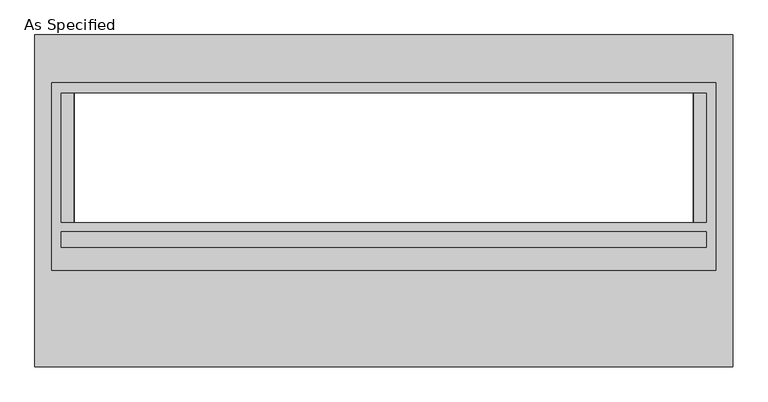
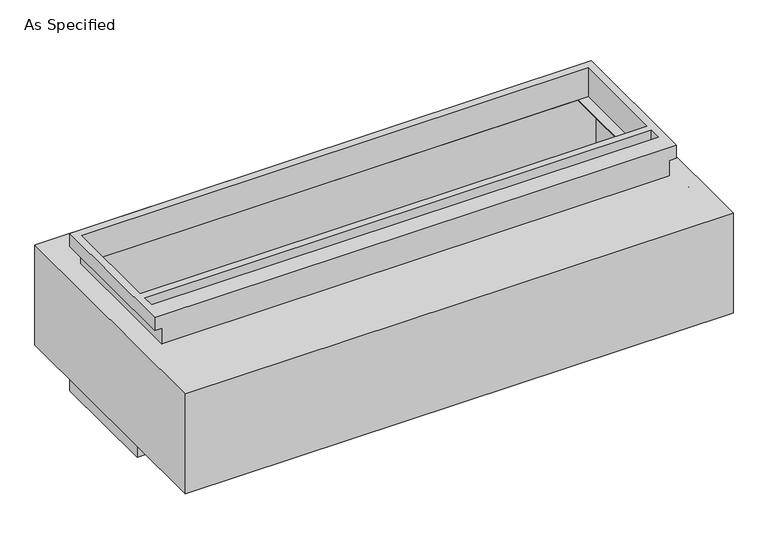
"""IFC4 building model written with IfcOpenShell, lengths in millimetres: proxy geometry, As Specified."""

from ifc_helpers import new_model, si_unit, frame, origin, place, context, project, spatial, polyline, circle_curve, faceted_brep, source, transform, mapped, element, save
from ifc_brep_helpers import plane_surface, revolved_surface, advanced_brep


def as_specified_993947f6(model_context):
    return source(origin(), model_context, "Body", "SolidModel", [
        faceted_brep([(1308.1, 464.2941406, -682.7242188), (1308.1, -119.9058594, -682.7242188), (-1308.1, -119.9058594, -682.7242188), (-1308.1, 464.2941406, -682.7242188), (1270.0, -83.3933594, -682.7242188), (1270.0, 424.6066406, -682.7242188), (-1270.0, 424.6066406, -682.7242188), (-1270.0, -83.3933594, -682.7242188), (-1273.175, -119.9058594, -530.3242188), (1273.175, -119.9058594, -530.3242188), (1273.175, 429.3691406, -530.3242188), (-1273.175, 429.3691406, -530.3242188), (1270.0, 424.6066406, -530.3242188), (1270.0, -83.3933594, -530.3242188), (-1270.0, -83.3933594, -530.3242188), (-1270.0, 424.6066406, -530.3242188), (-1308.1, 464.2941406, -612.8742188), (1308.1, 464.2941406, -612.8742188), (-1308.1, -119.9058594, -612.8742188), (1308.1, -119.9058594, -612.8742188), (1273.175, -119.9058594, -612.8742188), (-1273.175, -119.9058594, -612.8742188), (-1273.175, 429.3691406, -612.8742188), (1273.175, 429.3691406, -612.8742188)], [[[0, 1, 2, 3], [4, 5, 6, 7]], [[8, 9, 10, 11], [12, 13, 14, 15]], [[0, 3, 16, 17]], [[3, 2, 18, 16]], [[2, 1, 19, 20, 9, 8, 21, 18]], [[1, 0, 17, 19]], [[12, 5, 4, 13]], [[13, 4, 7, 14]], [[14, 7, 6, 15]], [[5, 12, 15, 6]], [[22, 23, 20, 19, 17, 16, 18, 21]], [[23, 10, 9, 20]], [[23, 22, 11, 10]], [[11, 22, 21, 8]]]),
        advanced_brep(
        [(1373.98125, 653.3058594, -530.3242188), (1373.98125, -653.3058594, -530.3242188), (-1373.98125, -653.3058594, -530.3242188), (-1373.98125, 653.3058594, -530.3242188), (1219.2, -83.3933594, -530.3242188), (1219.2, 424.6066406, -530.3242188), (-1219.2, 424.6066406, -530.3242188), (-1219.2, -83.3933594, -530.3242188), (1373.98125, 653.3058594, 0.0), (-1373.98125, 653.3058594, 0.0), (-1373.98125, -653.3058594, 0.0), (1373.98125, -653.3058594, 0.0), (1219.2, 424.6066406, 0.0), (1219.2, -83.3933594, 0.0), (-1219.2, -83.3933594, 0.0), (-1219.2, 424.6066406, 0.0), (1373.98125, -272.3058594, -430.3117188), (1373.98125, -294.5308594, -430.3117188), (1373.98125, -170.7058594, -430.3117188), (1373.98125, -192.9308594, -430.3117188), (1373.98125, -272.3058594, -100.1117188), (1373.98125, -294.5308594, -100.1117188), (1373.98125, -170.7058594, -100.1117188), (1373.98125, -192.9308594, -100.1117188), (-1308.1, 424.6066406, -527.05), (-1308.1, -83.3933594, -527.05), (-1219.2, -83.3933594, -527.05), (-1219.2, 424.6066406, -527.05), (1308.1, -83.3933594, -527.05), (1308.1, 424.6066406, -527.05), (1219.2, 424.6066406, -527.05), (1219.2, -83.3933594, -527.05), (1308.1, 424.6066406, -3.175), (1308.1, -83.3933594, -3.175), (1219.2, -83.3933594, -3.175), (1219.2, 424.6066406, -3.175), (-1308.1, -83.3933594, -3.175), (-1308.1, 424.6066406, -3.175), (-1219.2, 424.6066406, -3.175), (-1219.2, -83.3933594, -3.175), (1358.128271, -294.5308594, -430.3117188), (1358.128271, -272.3058594, -430.3117188), (1358.128271, -192.9308594, -430.3117188), (1358.128271, -170.7058594, -430.3117188), (1358.128271, -294.5308594, -100.1117188), (1358.128271, -272.3058594, -100.1117188), (1358.128271, -192.9308594, -100.1117188), (1358.128271, -170.7058594, -100.1117188)],
        [
            (0, 1),
            (1, 2),
            (2, 3),
            (3, 0),
            (4, 5),
            (5, 6),
            (6, 7),
            (7, 4),
            (8, 9),
            (9, 10),
            (10, 11),
            (11, 8),
            (12, 13),
            (13, 14),
            (14, 15),
            (15, 12),
            (3, 9),
            (8, 0),
            (2, 10),
            (1, 11),
            (16, 17, circle_curve(frame((1373.98125, -283.4183594, -430.3117188), z_axis=(-1.0, 0.0, 0.0), x_axis=(0.0, 1.0, 0.0)), 11.1125)),
            (17, 16, circle_curve(frame((1373.98125, -283.4183594, -430.3117188), z_axis=(-1.0, 0.0, 0.0), x_axis=(0.0, 1.0, 0.0)), 11.1125)),
            (18, 19, circle_curve(frame((1373.98125, -181.8183594, -430.3117188), z_axis=(-1.0, 0.0, 0.0), x_axis=(0.0, 1.0, 0.0)), 11.1125)),
            (19, 18, circle_curve(frame((1373.98125, -181.8183594, -430.3117188), z_axis=(-1.0, 0.0, 0.0), x_axis=(0.0, 1.0, 0.0)), 11.1125)),
            (20, 21, circle_curve(frame((1373.98125, -283.4183594, -100.1117188), z_axis=(-1.0, 0.0, 0.0), x_axis=(0.0, 1.0, 0.0)), 11.1125)),
            (21, 20, circle_curve(frame((1373.98125, -283.4183594, -100.1117188), z_axis=(-1.0, 0.0, 0.0), x_axis=(0.0, 1.0, 0.0)), 11.1125)),
            (22, 23, circle_curve(frame((1373.98125, -181.8183594, -100.1117188), z_axis=(-1.0, 0.0, 0.0), x_axis=(0.0, 1.0, 0.0)), 11.1125)),
            (23, 22, circle_curve(frame((1373.98125, -181.8183594, -100.1117188), z_axis=(-1.0, 0.0, 0.0), x_axis=(0.0, 1.0, 0.0)), 11.1125)),
            (24, 25),
            (25, 26),
            (26, 27),
            (27, 24),
            (28, 29),
            (29, 30),
            (30, 31),
            (31, 28),
            (32, 33),
            (33, 34),
            (34, 35),
            (35, 32),
            (36, 37),
            (37, 38),
            (38, 39),
            (39, 36),
            (28, 33),
            (32, 29),
            (31, 4),
            (7, 26),
            (25, 36),
            (39, 14),
            (13, 34),
            (24, 37),
            (35, 12),
            (15, 38),
            (27, 6),
            (5, 30),
            (40, 41, circle_curve(frame((1358.128271, -283.4183594, -430.3117188), z_axis=(1.0, 0.0, 0.0), x_axis=(0.0, 1.0, 0.0)), 11.1125)),
            (41, 40, circle_curve(frame((1358.128271, -283.4183594, -430.3117188), z_axis=(1.0, 0.0, 0.0), x_axis=(0.0, 1.0, 0.0)), 11.1125)),
            (42, 43, circle_curve(frame((1358.128271, -181.8183594, -430.3117188), z_axis=(1.0, 0.0, 0.0), x_axis=(0.0, 1.0, 0.0)), 11.1125)),
            (43, 42, circle_curve(frame((1358.128271, -181.8183594, -430.3117188), z_axis=(1.0, 0.0, 0.0), x_axis=(0.0, 1.0, 0.0)), 11.1125)),
            (44, 45, circle_curve(frame((1358.128271, -283.4183594, -100.1117188), z_axis=(1.0, 0.0, 0.0), x_axis=(0.0, 1.0, 0.0)), 11.1125)),
            (45, 44, circle_curve(frame((1358.128271, -283.4183594, -100.1117188), z_axis=(1.0, 0.0, 0.0), x_axis=(0.0, 1.0, 0.0)), 11.1125)),
            (46, 47, circle_curve(frame((1358.128271, -181.8183594, -100.1117188), z_axis=(1.0, 0.0, 0.0), x_axis=(0.0, 1.0, 0.0)), 11.1125)),
            (47, 46, circle_curve(frame((1358.128271, -181.8183594, -100.1117188), z_axis=(1.0, 0.0, 0.0), x_axis=(0.0, 1.0, 0.0)), 11.1125)),
            (40, 17),
            (16, 41),
            (42, 19),
            (18, 43),
            (44, 21),
            (20, 45),
            (46, 23),
            (22, 47),
        ],
        [
            plane_surface(frame((-1373.98125, 653.3058594, -530.3242188), z_axis=(0.0, 0.0, -1.0), x_axis=(1.0, 0.0, 0.0))),
            plane_surface(frame((-1373.98125, 653.3058594, 0.0), z_axis=(0.0, 0.0, 1.0), x_axis=(-1.0, 0.0, 0.0))),
            plane_surface(frame((1373.98125, 653.3058594, 0.0), z_axis=(0.0, 1.0, 0.0), x_axis=(0.0, 0.0, -1.0))),
            plane_surface(frame((-1373.98125, 653.3058594, 0.0), z_axis=(-1.0, 0.0, 0.0), x_axis=(0.0, 0.0, -1.0))),
            plane_surface(frame((-1373.98125, -653.3058594, 0.0), z_axis=(0.0, -1.0, 0.0), x_axis=(0.0, 0.0, -1.0))),
            plane_surface(frame((1373.98125, -653.3058594, 0.0), z_axis=(1.0, 0.0, 0.0), x_axis=(0.0, 0.0, -1.0))),
            plane_surface(frame((1308.1, 424.6066406, -527.05), z_axis=(0.0, 0.0, 1.0), x_axis=(0.0, -1.0, 0.0))),
            plane_surface(frame((1308.1, 424.6066406, -3.175), z_axis=(0.0, 0.0, -1.0), x_axis=(0.0, 1.0, 0.0))),
            plane_surface(frame((1308.1, 424.6066406, -527.05), z_axis=(-1.0, 0.0, 0.0), x_axis=(0.0, 0.0, 1.0))),
            plane_surface(frame((1308.1, -83.3933594, -527.05), z_axis=(0.0, 1.0, 0.0), x_axis=(0.0, 0.0, 1.0))),
            plane_surface(frame((-1308.1, -83.3933594, -527.05), z_axis=(1.0, 0.0, 0.0), x_axis=(0.0, 0.0, 1.0))),
            plane_surface(frame((-1308.1, 424.6066406, -527.05), z_axis=(0.0, -1.0, 0.0), x_axis=(0.0, 0.0, 1.0))),
            plane_surface(frame((1219.2, 424.6066406, -25.4), z_axis=(-1.0, 0.0, 0.0), x_axis=(0.0, 0.0, 1.0))),
            plane_surface(frame((-1219.2, -83.3933594, -25.4), z_axis=(1.0, 0.0, 0.0), x_axis=(0.0, 0.0, 1.0))),
            plane_surface(frame((1358.128271, -272.3058594, -430.3117188), z_axis=(1.0, 0.0, 0.0), x_axis=(0.0, 0.0, -1.0))),
            revolved_surface(polyline([(1373.98125, -272.3058594, -430.3117188), (1358.128271, -272.3058594, -430.3117188)]), (1358.128271, -283.4183594, -430.3117188), (1.0, 0.0, 0.0)),
            revolved_surface(polyline([(1373.98125, -170.70585939999998, -430.3117188), (1358.128271, -170.70585939999998, -430.3117188)]), (0.0, -181.8183594, -430.3117188), (1.0, 0.0, 0.0)),
            revolved_surface(polyline([(1373.98125, -272.3058594, -100.1117188), (1358.128271, -272.3058594, -100.1117188)]), (0.0, -283.4183594, -100.1117188), (1.0, 0.0, 0.0)),
            revolved_surface(polyline([(1373.98125, -170.70585939999998, -100.1117188), (1358.128271, -170.70585939999998, -100.1117188)]), (0.0, -181.8183594, -100.1117188), (1.0, 0.0, 0.0)),
            plane_surface(frame((1219.2, -83.3933594, -504.9242188), z_axis=(-1.0, 0.0, 0.0), x_axis=(0.0, 0.0, -1.0))),
            plane_surface(frame((-1219.2, 424.6066406, -504.9242188), z_axis=(1.0, 0.0, 0.0), x_axis=(0.0, 0.0, -1.0))),
        ],
        [
            (0, [[1, 2, 3, 4], [5, 6, 7, 8]]),
            (1, [[9, 10, 11, 12], [13, 14, 15, 16]]),
            (2, [[-4, 17, -9, 18]]),
            (3, [[-3, 19, -10, -17]]),
            (4, [[-2, 20, -11, -19]]),
            (5, [[-1, -18, -12, -20], [21, 22], [23, 24], [25, 26], [27, 28]]),
            (6, [[29, 30, 31, 32]]),
            (6, [[33, 34, 35, 36]]),
            (7, [[37, 38, 39, 40]]),
            (7, [[41, 42, 43, 44]]),
            (8, [[-33, 45, -37, 46]]),
            (9, [[-45, -36, 47, -8, 48, -30, 49, -44, 50, -14, 51, -38]]),
            (10, [[-29, 52, -41, -49]]),
            (11, [[-46, -40, 53, -16, 54, -42, -52, -32, 55, -6, 56, -34]]),
            (12, [[-53, -39, -51, -13]]),
            (13, [[-50, -43, -54, -15]]),
            (14, [[57, 58]]),
            (14, [[59, 60]]),
            (14, [[61, 62]]),
            (14, [[63, 64]]),
            (15, [[-57, 65, -21, 66]]),
            (15, [[-58, -66, -22, -65]]),
            (16, [[-59, 67, -23, 68]]),
            (16, [[-60, -68, -24, -67]]),
            (17, [[-61, 69, -25, 70]]),
            (17, [[-62, -70, -26, -69]]),
            (18, [[-63, 71, -27, 72]]),
            (18, [[-64, -72, -28, -71]]),
            (19, [[-47, -35, -56, -5]]),
            (20, [[-48, -7, -55, -31]]),
        ],
    ),
        faceted_brep([(1308.1, 464.2941406, 152.4), (-1308.1, 464.2941406, 152.4), (-1308.1, -272.3058594, 152.4), (1308.1, -272.3058594, 152.4), (1270.0, 424.6066406, 152.4), (1270.0, -83.3933594, 152.4), (-1270.0, -83.3933594, 152.4), (-1270.0, 424.6066406, 152.4), (1270.0, -121.4933594, 152.4), (1270.0, -181.8183594, 152.4), (-1270.0, -181.8183594, 152.4), (-1270.0, -121.4933594, 152.4), (1273.175, -272.3058594, 0.0), (-1273.175, -272.3058594, 0.0), (-1273.175, 429.3691406, 0.0), (1273.175, 429.3691406, 0.0), (1270.0, -83.3933594, 0.0), (1270.0, 424.6066406, 0.0), (-1270.0, 424.6066406, 0.0), (-1270.0, -83.3933594, 0.0), (1308.1, 464.2941406, 82.55), (-1308.1, 464.2941406, 82.55), (-1308.1, -272.3058594, 82.55), (-1273.175, -272.3058594, 82.55), (1273.175, -272.3058594, 82.55), (1308.1, -272.3058594, 82.55), (1273.175, 429.3691406, 82.55), (-1273.175, 429.3691406, 82.55), (1270.0, -121.4933594, 82.55), (-1270.0, -121.4933594, 82.55), (-1270.0, -181.8183594, 82.55), (1270.0, -181.8183594, 82.55)], [[[0, 1, 2, 3], [4, 5, 6, 7], [8, 9, 10, 11]], [[12, 13, 14, 15], [16, 17, 18, 19]], [[1, 0, 20, 21]], [[2, 1, 21, 22]], [[3, 2, 22, 23, 13, 12, 24, 25]], [[0, 3, 25, 20]], [[24, 26, 27, 23, 22, 21, 20, 25]], [[26, 24, 12, 15]], [[27, 26, 15, 14]], [[23, 27, 14, 13]], [[16, 5, 4, 17]], [[5, 16, 19, 6]], [[6, 19, 18, 7]], [[17, 4, 7, 18]], [[28, 29, 30, 31]], [[28, 31, 9, 8]], [[31, 30, 10, 9]], [[30, 29, 11, 10]], [[29, 28, 8, 11]]]),
    ])


if __name__ == "__main__":
    model = new_model("IFC4")
    model_context = context("Model", 3, world=origin())
    ifc_project = project(units=[si_unit("LENGTHUNIT", "METRE", prefix="MILLI")], contexts=[model_context])
    site = spatial("IfcSite", under=ifc_project)
    building = spatial("IfcBuilding", under=site)
    placement = place(None, origin())
    as_specified_shape = as_specified_993947f6(model_context)
    element("IfcBuildingElementProxy", 1, Name="As Specified", ObjectType="As Specified", at=placement, inside=building, context=model_context, shape_type="MappedRepresentation", body=[
        mapped(as_specified_shape, transform((0.0, 0.0, 0.0), x_axis=(1.0, 0.0, 0.0), y_axis=(0.0, 1.0, 0.0), z_axis=(0.0, 0.0, 1.0))),
    ])
    save(model, "model.ifc")
